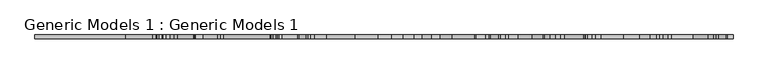
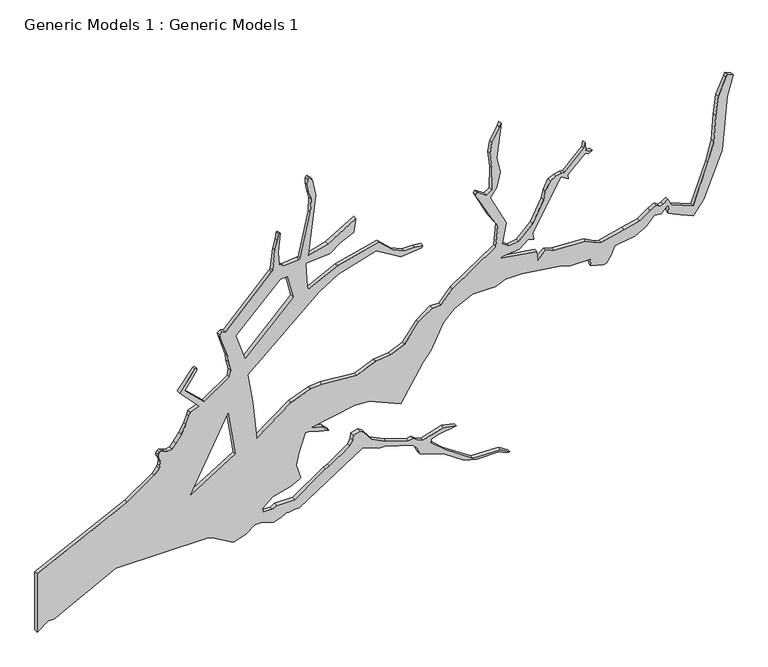
"""IFC4 building model written with IfcOpenShell, lengths in millimetres: proxy geometry, Generic Models 1 : Generic Models 1."""

from ifc_helpers import new_model, si_unit, frame, origin, place, context, project, spatial, polyline, outline, extrude, source, transform, mapped, element, save


def generic_models_1_generic_models_1_6afb7b68(model_context):
    return source(origin(), model_context, "Body", "SweptSolid", [
        extrude(outline(polyline([(4569.4278498, -7057.4224587), (3994.0000991, -8232.4079313), (3195.1219104, -8232.4079313), (3297.7609924, -8086.8736982), (3297.7609924, -8016.2768994), (3714.7367118, -7207.6162412), (3714.7367118, -6026.7150397), (3695.6854547, -5952.5955827), (3534.5600563, -5678.0546404), (3589.9558612, -5515.9174152), (3681.2592052, -5404.2708141), (3681.2592052, -5320.5376891), (3627.9987832, -5155.6081425), (3663.5057312, -5059.1866311), (3699.0126792, -4993.2152994), (3699.0126792, -4957.6917128), (3714.2301791, -4884.1054017), (3714.2301791, -4825.7466149), (4250.2156729, -3999.2538924), (4164.9317053, -3786.5283366), (4164.9317053, -3709.6993297), (4047.1827202, -3338.3668387), (3993.4290083, -3297.3925044), (3903.8372812, -3253.8571221), (3783.5291474, -2920.9354829), (3609.4656462, -2675.0870428), (3570.4742168, -2511.3309042), (3575.6223105, -2228.0673049), (3521.5689828, -2125.0605892), (3521.5689828, -2081.2841957), (3593.6389828, -2204.8912808), (3603.9351701, -2565.4099168), (3853.609434, -2931.0774279), (4005.4715746, -3103.6122161), (4049.228715, -3106.1878708), (4085.2653704, -3023.7815245), (4121.3003704, -2779.1454436), (4157.3353704, -2949.104577), (4074.9691831, -3214.3434616), (4109.8206182, -3296.3846395), (4148.6630673, -3341.7215195), (4135.7166879, -3404.8713164), (4233.6264761, -3694.6032661), (4325.1732628, -3880.1893698), (4457.4510199, -3981.0194863), (4488.6822361, -4030.4925075), (4465.2592378, -4121.6263798), (4397.5924303, -4129.4361156), (4327.3217801, -4163.2872307), (4143.8824582, -4430.7682497), (4120.5223627, -4482.6392104), (3843.733702, -4880.8602714), (3842.1743759, -5117.625755), (3810.3025449, -5173.4283627), (3820.9264886, -5293.0015536), (3866.0774216, -5306.2863818), (3982.9408021, -5165.4555183), (4041.3708371, -4931.6235546), (4105.1144992, -4825.3351917), (4118.3952565, -4804.0775192), (4309.3117291, -4860.8173926), (4466.0024834, -4830.8005462), (4711.0418078, -4742.4127407), (4716.0425766, -4687.3769867), (4677.7033494, -4570.6399374), (4642.6979682, -4437.2244278), (4719.3764224, -4518.941823), (4754.3818037, -4670.7009609), (4866.7890209, -4100.5658982), (4853.9998983, -3912.900964), (4679.2097048, -3499.1797197), (5141.7761129, -3217.9531205), (5268.6912546, -3109.496297), (5387.557826, -3054.7933993), (5596.7804198, -2950.134352), (5743.0243514, -2803.8235273), (5857.648063, -2574.4709632), (5857.648063, -2396.5243787), (5857.648063, -2273.9397653), (5912.9842757, -2143.4456033), (5912.9842757, -1929.9121364), (5845.7908943, -1439.5712483), (5802.3135055, -1297.2139807), (5806.2664469, -1040.1816483), (5713.6022814, -1028.0895534), (5667.1123175, -865.959782), (5674.3378573, -832.2230863), (5756.2273079, -771.9824647), (5876.6529706, -716.5620667), (5886.2870236, -651.5012216), (5915.1891827, -461.1413443), (6004.3058284, -309.3359518), (6117.5059514, -205.720622), (6107.8718984, -114.155851), (6182.5358092, -41.8671051), (6179.7200834, -15.0418309), (6081.9460327, -19.9326537), (6001.2831857, 141.4693657), (5933.9419722, 300.2742311), (6110.5353333, 437.686707), (6706.0638239, 678.1330885), (7141.3409333, 718.3868237), (7422.9929698, 744.0046076), (7690.0118399, 820.8530901), (7722.9314984, 744.0046076), (7682.696912, 725.7072339), (7455.9126283, 626.8999553), (7199.8669777, 593.9666303), (6852.3756242, 568.3488465), (6590.9683417, 494.0005505), (6067.13409, 300.171573), (6180.4451204, 19.0308197), (6274.1304923, -28.0101797), (6224.4571825, -89.0006139), (6215.4256717, -134.1792542), (6247.0359597, -177.0987191), (6199.6205276, -262.9376488), (6107.0475412, -396.2168288), (6059.6304538, -601.7774513), (5987.3783669, -895.4386135), (6002.6935316, -962.4299824), (6072.0454706, -1094.4821965), (6094.4173308, -1510.786399), (6127.9759488, -1620.4586561), (6031.7777775, -1723.4142482), (6150.3478091, -1730.1284787), (6223.4855006, -2206.7804189), (6242.2719039, -2176.2839846), (6262.3312604, -1959.9776719), (6360.8700762, -1842.8949298), (6334.2208288, -1769.5788433), (6423.0494462, -1787.3528089), (7070.7772886, -1419.4285568), (7014.0539047, -1326.6903778), (7070.7772886, -1332.2263315), (7285.222701, -1101.0722697), (7265.8536195, -1063.7009308), (7290.7564878, -1013.8724789), (7297.6741352, -1070.6220901), (7322.5770035, -1095.536316), (7429.1077794, -1105.2254522), (7355.7813797, -1121.8357476), (7112.2616533, -1368.2903674), (7113.6388925, -1410.9615177), (7101.2553271, -1485.2927724), (7061.3551186, -1559.6240272), (6937.5244306, -1620.1908659), (6831.5829541, -1643.59086), (6554.0725672, -1787.8275279), (6375.302947, -1968.861003), (6355.6805992, -2091.0049798), (6414.544332, -2180.4298637), (6689.9474768, -2133.1892389), (7101.7916559, -2337.4742063), (7215.9998782, -2250.912243), (7416.7308354, -2209.363377), (7624.3844059, -2254.3740399), (8078.5505495, -2195.4407214), (8028.4816145, -2221.1656213), (7853.9148914, -2318.6412522), (7713.1799166, -2338.9494868), (7504.766547, -2316.8714025), (7207.7678944, -2321.1779557), (7160.5030979, -2391.8623949), (7238.9362078, -2507.8618039), (7208.244631, -2531.7438204), (6843.3557007, -2340.6876886), (6686.4878254, -2238.3334072), (6405.4101903, -2266.7483814), (6018.4738456, -2829.1467419), (5850.9638179, -2980.5163668), (5850.9638179, -3094.0423683), (5715.8751927, -3272.4417617), (5478.1193449, -3450.8387206), (5397.067494, -3634.642607), (5375.4521221, -3829.2603484), (5272.7848994, -4077.9351922), (5309.705504, -4530.17197), (5292.9038479, -4674.7251172), (5195.459209, -4930.2188733), (4862.7980069, -5377.328686), (5371.0207888, -5427.9653774), (5774.6247074, -5491.2442005), (6583.259444, -4571.1998623), (6747.0995927, -4317.3931845), (6892.7591908, -3818.1470553), (6698.8498715, -3499.2016298), (6725.1432217, -3226.2869043), (6754.722413, -3216.4249218), (6764.5815916, -3321.6421238), (6767.869088, -3459.7439618), (6830.3133117, -3607.7077823), (6997.9309362, -3788.5538043), (6863.1799995, -4324.5164037), (6672.5565213, -4705.9372817), (6715.2823877, -4719.0906491), (7037.3709615, -4735.5305327), (7043.944299, -4719.0906491), (7063.6626563, -4423.1605737), (7168.8344018, -4288.3476862), (7249.985464, -4116.2295433), (7428.4770966, -4084.4838797), (7208.2744271, -4452.7538247), (7142.5410516, -4705.9372817), (7934.6141557, -4607.2955461), (8164.6760039, -4653.3286806), (8207.4018703, -4696.0728647), (8184.3960165, -4712.5151826), (8115.3767999, -4715.8016987), (8003.6333723, -4696.0728647), (7901.747468, -4669.7685642), (7714.4114862, -4676.3440307), (7129.9770546, -4806.4803276), (7126.9411692, -4832.2368754), (7110.6808079, -5027.4461897), (7149.2997867, -5080.3152775), (7324.0932909, -5098.6150856), (7570.0264965, -5072.1817589), (7570.0264965, -5090.4815671), (7478.5642402, -5106.7486042), (7360.6778623, -5139.2826784), (7099.9161607, -5170.5021462), (7078.9165736, -5184.3809817), (6462.4199474, -5785.6210928), (6480.5111098, -5821.8190238), (6452.3687498, -5860.0278157), (6402.1160726, -5849.9735111), (6114.6687062, -5753.4448837), (6042.3040564, -5747.4098665), (5911.6467646, -5715.2336573), (5819.8401985, -5730.1617434), (5598.7287498, -6056.0405005), (5841.0318045, -6313.2943685), (6056.1360405, -6164.8777391), (6072.2076935, -6153.7474048), (6094.4603696, -6157.4575162), (6088.2793465, -6182.1940269), (5833.6142458, -6380.0836775), (5561.7005484, -6120.4878626), (5521.2755985, -6241.8162966), (5468.4124571, -6257.3724724), (5365.7948944, -6297.8160952), (5253.8495159, -6360.0359298), (5157.4527043, -6431.5894698), (5098.3704671, -6481.3643637), (5085.9322757, -6534.2529272), (5095.2600916, -6571.5853148), (5104.5895629, -6590.2502914), (5117.0277543, -6618.2489735), (5110.8086586, -6643.1388549), (5079.7131799, -6658.6925963), (5051.7264214, -6658.6925963), (5033.0691342, -6652.470126), (5014.411847, -6636.9163846), (4973.5267138, -6629.3573977), (4918.0630402, -6637.2839875), (4886.36833, -6645.2105772), (4815.0564737, -6708.6281643), (4569.4278498, -7057.4224587)]), holes=[polyline([(6359.8254742, -5642.3581466), (6939.9630495, -5062.2205713), (6939.9630495, -4979.1472212), (6637.1987562, -4903.0266632), (6015.5070921, -5524.7183272), (6359.8254742, -5642.3581466)]), polyline([(5334.8311562, -5746.5626274), (4742.0723379, -5653.6272553), (4383.8243731, -6235.1800568), (5334.8311562, -5746.5626274)])]), frame((0.0, 2569.5668814, 0.0), z_axis=(0.0, 1.0, 0.0), x_axis=(0.0, 0.0, 1.0)), (0.0, 0.0, 1.0), 50.0),
    ])


if __name__ == "__main__":
    model = new_model("IFC4")
    model_context = context("Model", 3, world=origin())
    ifc_project = project(units=[si_unit("LENGTHUNIT", "METRE", prefix="MILLI")], contexts=[model_context])
    site = spatial("IfcSite", under=ifc_project)
    building = spatial("IfcBuilding", under=site)
    placement = place(None, origin())
    generic_models_1_generic_models_1_shape = generic_models_1_generic_models_1_6afb7b68(model_context)
    element("IfcBuildingElementProxy", 1, Name="Generic Models 1 : Generic Models 1", ObjectType="Generic Models 1 : Generic Models 1", at=placement, inside=building, context=model_context, shape_type="MappedRepresentation", body=[
        mapped(generic_models_1_generic_models_1_shape, transform((0.0, 0.0, 0.0), x_axis=(1.0, 0.0, 0.0), y_axis=(0.0, 1.0, 0.0), z_axis=(0.0, 0.0, 1.0))),
    ])
    save(model, "model.ifc")
